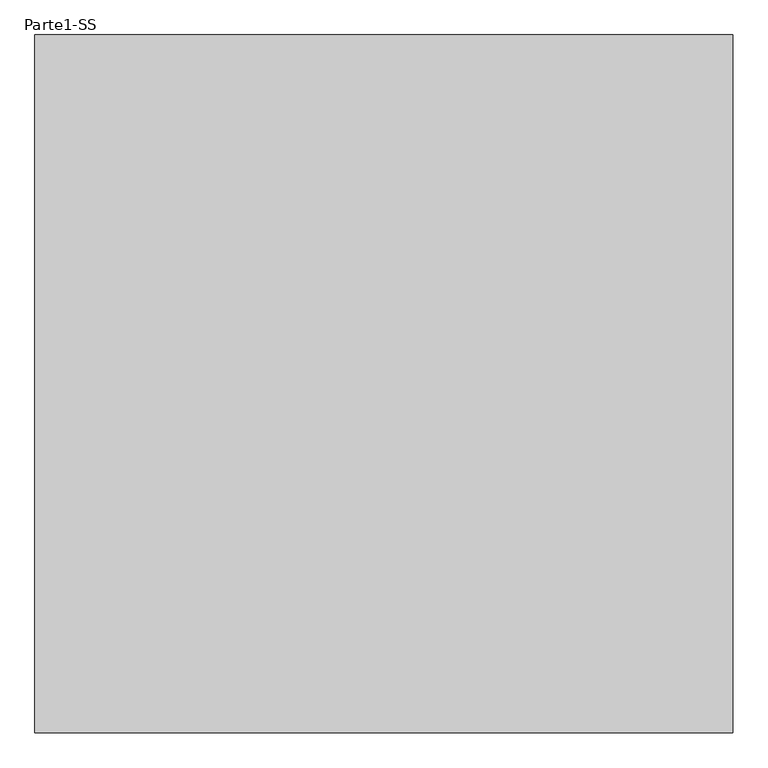
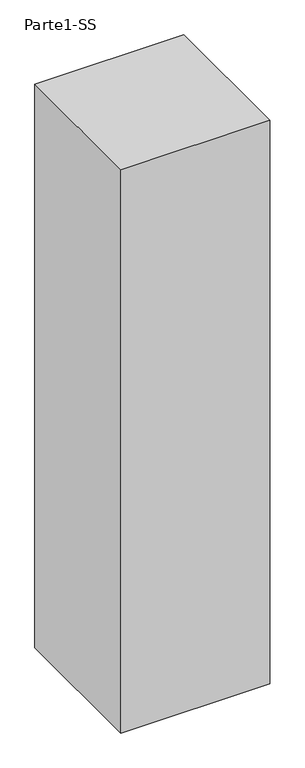
"""IFC4 building model written with IfcOpenShell, lengths in millimetres: proxy geometry, Parte1-SS."""

from ifc_helpers import new_model, si_unit, frame, origin, place, context, project, spatial, polyline, outline, extrude, source, transform, mapped, element, save


def parte1_ss_2dc1ccb3(model_context):
    return source(origin(), model_context, "Body", "SweptSolid", [
        extrude(outline(polyline([(10000.0, 10000.0), (10000.0, 0.0), (0.0, 0.0), (0.0, 10000.0), (10000.0, 10000.0)])), frame((0.0, 0.0, 25000.0), z_axis=(0.0, 0.0, 1.0), x_axis=(1.0, 0.0, 0.0)), (0.0, 0.0, 1.0), 40000.0),
    ])


if __name__ == "__main__":
    model = new_model("IFC4")
    model_context = context("Model", 3, world=origin())
    ifc_project = project(units=[si_unit("LENGTHUNIT", "METRE", prefix="MILLI")], contexts=[model_context])
    site = spatial("IfcSite", under=ifc_project)
    building = spatial("IfcBuilding", under=site)
    placement = place(None, origin())
    parte1_ss_shape = parte1_ss_2dc1ccb3(model_context)
    element("IfcBuildingElementProxy", 1, Name="Parte1-SS", ObjectType="Parte1-SS", at=placement, inside=building, context=model_context, shape_type="MappedRepresentation", body=[
        mapped(parte1_ss_shape, transform((0.0, 0.0, 0.0), x_axis=(1.0, 0.0, 0.0), y_axis=(0.0, 1.0, 0.0), z_axis=(0.0, 0.0, 1.0))),
    ])
    save(model, "model.ifc")
